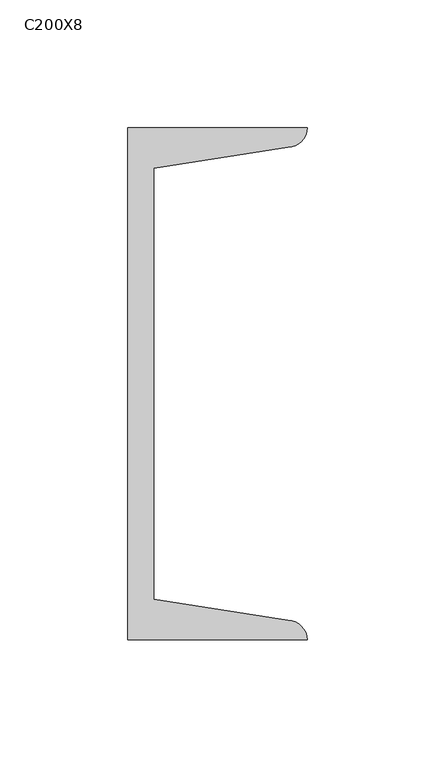
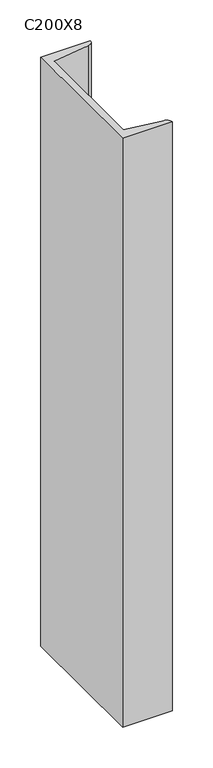
"""IFC4 building model written with IfcOpenShell, lengths in millimetres: column geometry, C200X8."""

from ifc_helpers import new_model, si_unit, point, frame, frame_2d, origin, place, context, project, spatial, polyline, circle_curve, trimmed, segment, composite_curve, outline, extrude, source, transform, mapped, element, save


def c200x8_f4335f35(model_context):
    return source(origin(), model_context, "Body", "SweptSolid", [
        extrude(outline(composite_curve([segment(polyline([(5.0, -100.0), (5.0, 100.0), (75.0, 100.0)]), True, "CONTINUOUS"), segment(trimmed(circle_curve(frame_2d((67.5, 100.0)), 7.5), [point((75.0, 100.0))], [point((67.5, 92.5))], False, "CARTESIAN"), True, "CONTINUOUS"), segment(polyline([(67.5, 92.5), (15.0, 84.1848169), (15.0, -84.1848169), (67.5, -92.5)]), True, "CONTINUOUS"), segment(trimmed(circle_curve(frame_2d((67.5, -100.0)), 7.5), [point((67.5, -92.5))], [point((75.0, -100.0))], False, "CARTESIAN"), True, "CONTINUOUS"), segment(polyline([(75.0, -100.0), (5.0, -100.0)]), True, "CONTINUOUS")], self_intersect=False)), frame((0.0, 0.0, 9380.0), z_axis=(0.0, 0.0, 1.0), x_axis=(1.0, 0.0, 0.0)), (0.0, 0.0, 1.0), 880.0),
    ])


if __name__ == "__main__":
    model = new_model("IFC4")
    model_context = context("Model", 3, world=origin())
    ifc_project = project(units=[si_unit("LENGTHUNIT", "METRE", prefix="MILLI")], contexts=[model_context])
    site = spatial("IfcSite", under=ifc_project)
    building = spatial("IfcBuilding", under=site)
    placement = place(None, origin())
    c200x8_shape = c200x8_f4335f35(model_context)
    element("IfcColumn", 1, ObjectType="C200X8", at=placement, inside=building, context=model_context, shape_type="MappedRepresentation", body=[
        mapped(c200x8_shape, transform((0.0, 0.0, 0.0), x_axis=(1.0, 0.0, 0.0), y_axis=(0.0, 1.0, 0.0), z_axis=(0.0, 0.0, 1.0))),
    ])
    save(model, "model.ifc")
